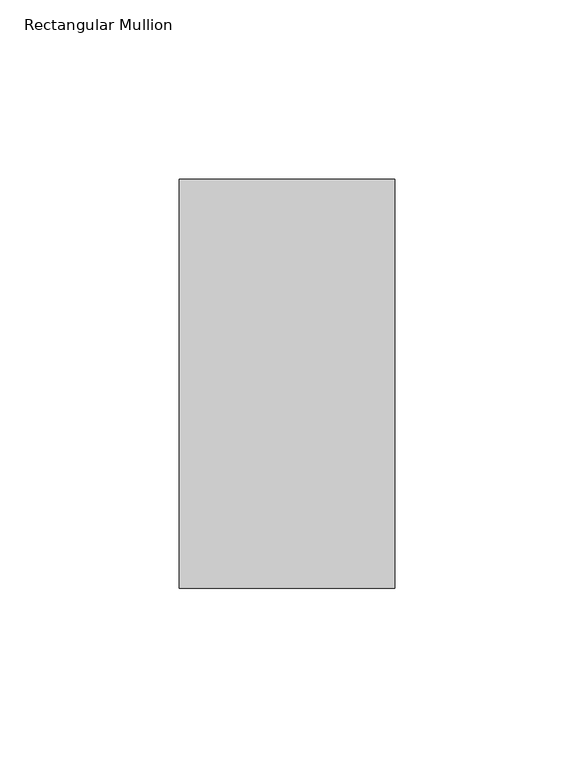
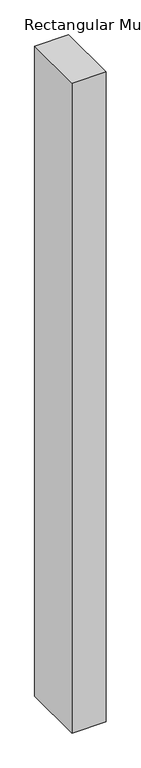
"""IFC4 building model written with IfcOpenShell, lengths in millimetres: member geometry, Rectangular Mullion."""

import ifcopenshell
import ifcopenshell.guid

model = None  # the IFC model being written
_history = None  # IfcOwnerHistory: only IFC2X3 demands one
_inside = {}  # id of a spatial element -> (the spatial element, [elements in it])
_under = {}  # id of a project, library or spatial element -> (it, [spatial elements below it])
_declared = {}  # id of a project -> (the project, [libraries it declares])
_typed = {}  # id of a type object -> (the type object, [elements of that type])
_made_of = {}  # id of a material, layer set ... -> (it, [elements and type objects made of it])


def new_model(schema):
    """Start an empty IFC model of exactly this schema.

    Asked for "IFC4X3", IfcOpenShell would pick the latest addendum, in which some entities
    have other attributes; the version numbers below select the first issue.
    IFC2X3 requires an IfcOwnerHistory on every rooted entity: one is made here for all.
    """
    global model, _history
    if schema == "IFC4X3":
        model = ifcopenshell.file(schema_version=(4, 3, 0, 0))
    else:
        model = ifcopenshell.file(schema=schema)
    _inside.clear()
    _under.clear()
    _declared.clear()
    _typed.clear()
    _made_of.clear()
    _history = None
    if model.schema == "IFC2X3":
        org = make("IfcOrganization", Name="unknown")
        user = make(
            "IfcPersonAndOrganization",
            ThePerson=make("IfcPerson", FamilyName="unknown"),
            TheOrganization=org,
        )
        app = make(
            "IfcApplication",
            ApplicationDeveloper=org,
            Version="unknown",
            ApplicationFullName="unknown",
            ApplicationIdentifier="unknown",
        )
        _history = make(
            "IfcOwnerHistory",
            OwningUser=user,
            OwningApplication=app,
            ChangeAction="ADDED",
            CreationDate=0,
        )
    return model


def make(cls, **values):
    """One entity of the class cls with the attributes given. An attribute that is None is left unset."""
    return model.create_entity(
        cls, **{name: value for name, value in values.items() if value is not None}
    )


def rooted(cls, **values):
    """An entity with a GlobalId (a new one), such as an element, a storey or a relation."""
    return make(cls, GlobalId=ifcopenshell.guid.new(), OwnerHistory=_history, **values)


def si_unit(unit_type, name, prefix=None):
    """IfcSIUnit, for example si_unit("LENGTHUNIT", "METRE", prefix="MILLI")."""
    return make("IfcSIUnit", UnitType=unit_type, Prefix=prefix, Name=name)


def assignment(units):
    """IfcUnitAssignment: the units of a project."""
    return None if units is None else make("IfcUnitAssignment", Units=units)


def point(xyz):
    """IfcCartesianPoint."""
    return None if xyz is None else make("IfcCartesianPoint", Coordinates=xyz)


def direction(xyz):
    """IfcDirection."""
    return None if xyz is None else make("IfcDirection", DirectionRatios=xyz)


def frame(location, z_axis=None, x_axis=None):
    """IfcAxis2Placement3D, a coordinate frame: its origin and axes. An axis left out is left unset."""
    return make(
        "IfcAxis2Placement3D",
        Location=point(location),
        Axis=direction(z_axis),
        RefDirection=direction(x_axis),
    )


def origin():
    """The frame at (0, 0, 0) with its axes left unset."""
    return frame((0.0, 0.0, 0.0))


def place(relative_to, where):
    """IfcLocalPlacement: puts the frame where relative to a parent placement (None: the world)."""
    return make(
        "IfcLocalPlacement", PlacementRelTo=relative_to, RelativePlacement=where
    )


def context(
    kind, dimensions, precision=None, world=None, true_north=None, identifier=None
):
    """IfcGeometricRepresentationContext, for example the 3D "Model" context."""
    return make(
        "IfcGeometricRepresentationContext",
        ContextIdentifier=identifier,
        ContextType=kind,
        CoordinateSpaceDimension=dimensions,
        Precision=precision,
        WorldCoordinateSystem=world,
        TrueNorth=true_north,
    )


def project(units=None, contexts=None):
    """IfcProject with its units and contexts."""
    return rooted(
        "IfcProject",
        Name="project",
        RepresentationContexts=contexts,
        UnitsInContext=assignment(units),
    )


def spatial(cls, under=None, at=None, **own):
    """A site, building, storey or space (cls), placed at a placement, below another one or the project."""
    s = rooted(cls, ObjectPlacement=at, **own)
    if under is not None:
        _under.setdefault(under.id(), (under, []))[1].append(s)
    return s


def polyline(points):
    """IfcPolyline through the points."""
    return make("IfcPolyline", Points=[point(p) for p in points])


def outline(outer, holes=None, kind="AREA"):
    """IfcArbitraryClosedProfileDef: a profile drawn as a closed curve; with holes, ...WithVoids."""
    if holes is None:
        return make("IfcArbitraryClosedProfileDef", ProfileType=kind, OuterCurve=outer)
    return make(
        "IfcArbitraryProfileDefWithVoids",
        ProfileType=kind,
        OuterCurve=outer,
        InnerCurves=holes,
    )


def extrude(swept, where, along, depth):
    """IfcExtrudedAreaSolid: the profile swept, set in the frame where, extruded along a direction by depth."""
    return make(
        "IfcExtrudedAreaSolid",
        SweptArea=swept,
        Position=where,
        ExtrudedDirection=direction(along),
        Depth=depth,
    )


def shape(context_of_items, identifier, shape_type, items):
    """IfcShapeRepresentation: the items that make up one representation, for example the "Body"."""
    return make(
        "IfcShapeRepresentation",
        ContextOfItems=context_of_items,
        RepresentationIdentifier=identifier,
        RepresentationType=shape_type,
        Items=items,
    )


def source(mapping_origin, context_of_items, identifier, shape_type, items):
    """IfcRepresentationMap: a shape defined once, which mapped items show again and again."""
    return make(
        "IfcRepresentationMap",
        MappingOrigin=mapping_origin,
        MappedRepresentation=shape(context_of_items, identifier, shape_type, items),
    )


def transform(
    local_origin,
    x_axis=None,
    y_axis=None,
    z_axis=None,
    scale=None,
    scale2=None,
    scale3=None,
    uniform=True,
):
    """IfcCartesianTransformationOperator3D, or its non-uniform kind. x_axis, y_axis, z_axis: its Axis1, 2, 3."""
    if uniform:
        return make(
            "IfcCartesianTransformationOperator3D",
            Axis1=direction(x_axis),
            Axis2=direction(y_axis),
            LocalOrigin=point(local_origin),
            Scale=scale,
            Axis3=direction(z_axis),
        )
    return make(
        "IfcCartesianTransformationOperator3DnonUniform",
        Axis1=direction(x_axis),
        Axis2=direction(y_axis),
        LocalOrigin=point(local_origin),
        Scale=scale,
        Axis3=direction(z_axis),
        Scale2=scale2,
        Scale3=scale3,
    )


def mapped(mapping_source, mapping_target):
    """IfcMappedItem: shows the shape of a source again, moved by a transform."""
    return make(
        "IfcMappedItem", MappingSource=mapping_source, MappingTarget=mapping_target
    )


def made_of(thing, what):
    """Note that an element or type object is made of a material, layer set ...; save() writes the relation."""
    if what is not None:
        _made_of.setdefault(what.id(), (what, []))[1].append(thing)
    return thing


def element(
    cls,
    number,
    at=None,
    inside=None,
    cuts=None,
    type_object=None,
    material=None,
    context=None,
    identifier="Body",
    shape_type=None,
    held_by="IfcProductDefinitionShape",
    body=None,
    shapes=None,
    **own,
):
    """One element of the class cls, such as IfcWall. Its Tag is "e" and its number.

    at: its placement. inside: the storey or other place that contains it. cuts: it is an
    opening in that element (IfcRelVoidsElement). A single representation is given by context,
    identifier, shape_type and body (its items); several are given by shapes. held_by: the class
    of the entity that holds the representations. save() writes the other relations.
    """
    e = rooted(cls, Tag="e%d" % number, ObjectPlacement=at, **own)
    if body is not None:
        shapes = [shape(context, identifier, shape_type, body)]
    if shapes is not None:
        e.Representation = make(held_by, Representations=shapes)
    if inside is not None:
        _inside.setdefault(inside.id(), (inside, []))[1].append(e)
    if cuts is not None:
        rooted(
            "IfcRelVoidsElement", RelatingBuildingElement=cuts, RelatedOpeningElement=e
        )
    if type_object is not None:
        _typed.setdefault(type_object.id(), (type_object, []))[1].append(e)
    return made_of(e, material)


def aggregate(whole, parts):
    """IfcRelAggregates: a whole, such as a stair, and the parts it consists of."""
    return rooted("IfcRelAggregates", RelatingObject=whole, RelatedObjects=parts)


def save(model, path):
    """Write the relations noted so far, then the file.

    IfcRelAggregates (storeys below a building ...), IfcRelContainedInSpatialStructure (elements
    in a storey), IfcRelDefinesByType, IfcRelAssociatesMaterial and IfcRelDeclares: one each for
    every whole, place, type object, material and project.
    """
    for whole, parts in _under.values():
        aggregate(whole, parts)
    for where, things in _inside.values():
        rooted(
            "IfcRelContainedInSpatialStructure",
            RelatedElements=things,
            RelatingStructure=where,
        )
    for kind, things in _typed.values():
        rooted("IfcRelDefinesByType", RelatedObjects=things, RelatingType=kind)
    for what, things in _made_of.values():
        rooted("IfcRelAssociatesMaterial", RelatedObjects=things, RelatingMaterial=what)
    for by, libraries in _declared.values():
        rooted("IfcRelDeclares", RelatingContext=by, RelatedDefinitions=libraries)
    model.write(path)


def rectangular_mullion_dbed4ae2(model_context):
    return source(origin(), model_context, "Body", "SweptSolid", [
        extrude(outline(polyline([(-60.325, 90.4875), (0.0, 90.4875), (0.0, -23.8125), (-60.325, -23.8125), (-60.325, 90.4875)])), frame((0.0, 0.0, -1219.2), z_axis=(0.0, 0.0, 1.0), x_axis=(1.0, 0.0, 0.0)), (0.0, 0.0, 1.0), 1219.2),
    ])


if __name__ == "__main__":
    model = new_model("IFC4")
    model_context = context("Model", 3, world=origin())
    ifc_project = project(units=[si_unit("LENGTHUNIT", "METRE", prefix="MILLI")], contexts=[model_context])
    site = spatial("IfcSite", under=ifc_project)
    building = spatial("IfcBuilding", under=site)
    placement = place(None, origin())
    rectangular_mullion_shape = rectangular_mullion_dbed4ae2(model_context)
    element("IfcMember", 1, ObjectType="Rectangular Mullion", at=placement, inside=building, context=model_context, shape_type="MappedRepresentation", body=[
        mapped(rectangular_mullion_shape, transform((0.0, 0.0, 0.0), x_axis=(1.0, 0.0, 0.0), y_axis=(0.0, 1.0, 0.0), z_axis=(0.0, 0.0, 1.0))),
    ])
    save(model, "model.ifc")
